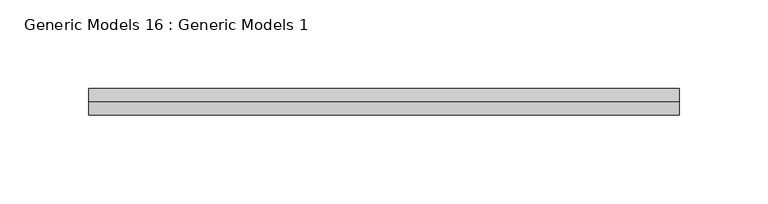
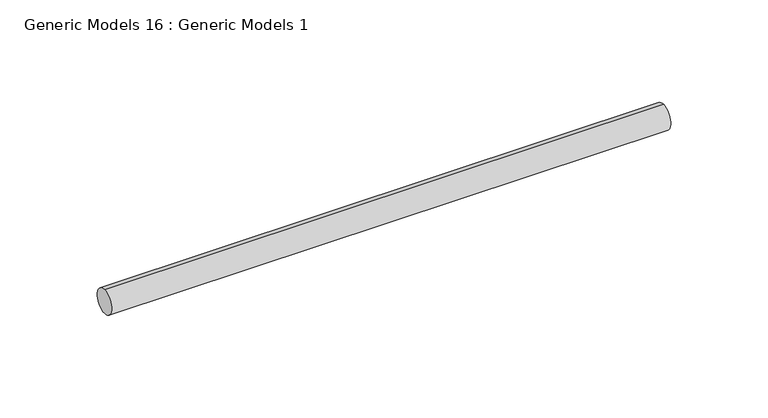
"""IFC4 building model written with IfcOpenShell, lengths in millimetres: proxy geometry, Generic Models 16 : Generic Models 1."""

import ifcopenshell
import ifcopenshell.guid

model = None  # the IFC model being written
_history = None  # IfcOwnerHistory: only IFC2X3 demands one
_inside = {}  # id of a spatial element -> (the spatial element, [elements in it])
_under = {}  # id of a project, library or spatial element -> (it, [spatial elements below it])
_declared = {}  # id of a project -> (the project, [libraries it declares])
_typed = {}  # id of a type object -> (the type object, [elements of that type])
_made_of = {}  # id of a material, layer set ... -> (it, [elements and type objects made of it])


def new_model(schema):
    """Start an empty IFC model of exactly this schema.

    Asked for "IFC4X3", IfcOpenShell would pick the latest addendum, in which some entities
    have other attributes; the version numbers below select the first issue.
    IFC2X3 requires an IfcOwnerHistory on every rooted entity: one is made here for all.
    """
    global model, _history
    if schema == "IFC4X3":
        model = ifcopenshell.file(schema_version=(4, 3, 0, 0))
    else:
        model = ifcopenshell.file(schema=schema)
    _inside.clear()
    _under.clear()
    _declared.clear()
    _typed.clear()
    _made_of.clear()
    _history = None
    if model.schema == "IFC2X3":
        org = make("IfcOrganization", Name="unknown")
        user = make(
            "IfcPersonAndOrganization",
            ThePerson=make("IfcPerson", FamilyName="unknown"),
            TheOrganization=org,
        )
        app = make(
            "IfcApplication",
            ApplicationDeveloper=org,
            Version="unknown",
            ApplicationFullName="unknown",
            ApplicationIdentifier="unknown",
        )
        _history = make(
            "IfcOwnerHistory",
            OwningUser=user,
            OwningApplication=app,
            ChangeAction="ADDED",
            CreationDate=0,
        )
    return model


def make(cls, **values):
    """One entity of the class cls with the attributes given. An attribute that is None is left unset."""
    return model.create_entity(
        cls, **{name: value for name, value in values.items() if value is not None}
    )


def rooted(cls, **values):
    """An entity with a GlobalId (a new one), such as an element, a storey or a relation."""
    return make(cls, GlobalId=ifcopenshell.guid.new(), OwnerHistory=_history, **values)


def si_unit(unit_type, name, prefix=None):
    """IfcSIUnit, for example si_unit("LENGTHUNIT", "METRE", prefix="MILLI")."""
    return make("IfcSIUnit", UnitType=unit_type, Prefix=prefix, Name=name)


def assignment(units):
    """IfcUnitAssignment: the units of a project."""
    return None if units is None else make("IfcUnitAssignment", Units=units)


def point(xyz):
    """IfcCartesianPoint."""
    return None if xyz is None else make("IfcCartesianPoint", Coordinates=xyz)


def direction(xyz):
    """IfcDirection."""
    return None if xyz is None else make("IfcDirection", DirectionRatios=xyz)


def frame(location, z_axis=None, x_axis=None):
    """IfcAxis2Placement3D, a coordinate frame: its origin and axes. An axis left out is left unset."""
    return make(
        "IfcAxis2Placement3D",
        Location=point(location),
        Axis=direction(z_axis),
        RefDirection=direction(x_axis),
    )


def frame_2d(location, x_axis=None):
    """IfcAxis2Placement2D, a coordinate frame in the plane: its origin and x axis."""
    return make(
        "IfcAxis2Placement2D", Location=point(location), RefDirection=direction(x_axis)
    )


def origin():
    """The frame at (0, 0, 0) with its axes left unset."""
    return frame((0.0, 0.0, 0.0))


def place(relative_to, where):
    """IfcLocalPlacement: puts the frame where relative to a parent placement (None: the world)."""
    return make(
        "IfcLocalPlacement", PlacementRelTo=relative_to, RelativePlacement=where
    )


def context(
    kind, dimensions, precision=None, world=None, true_north=None, identifier=None
):
    """IfcGeometricRepresentationContext, for example the 3D "Model" context."""
    return make(
        "IfcGeometricRepresentationContext",
        ContextIdentifier=identifier,
        ContextType=kind,
        CoordinateSpaceDimension=dimensions,
        Precision=precision,
        WorldCoordinateSystem=world,
        TrueNorth=true_north,
    )


def project(units=None, contexts=None):
    """IfcProject with its units and contexts."""
    return rooted(
        "IfcProject",
        Name="project",
        RepresentationContexts=contexts,
        UnitsInContext=assignment(units),
    )


def spatial(cls, under=None, at=None, **own):
    """A site, building, storey or space (cls), placed at a placement, below another one or the project."""
    s = rooted(cls, ObjectPlacement=at, **own)
    if under is not None:
        _under.setdefault(under.id(), (under, []))[1].append(s)
    return s


def circle_curve(where, radius):
    """IfcCircle in the frame where."""
    return make("IfcCircle", Position=where, Radius=radius)


def trimmed(basis, trim1, trim2, sense, master):
    """IfcTrimmedCurve: the piece of a basis curve between two trims."""
    return make(
        "IfcTrimmedCurve",
        BasisCurve=basis,
        Trim1=trim1,
        Trim2=trim2,
        SenseAgreement=sense,
        MasterRepresentation=master,
    )


def segment(curve, same_sense, transition):
    """IfcCompositeCurveSegment."""
    return make(
        "IfcCompositeCurveSegment",
        Transition=transition,
        SameSense=same_sense,
        ParentCurve=curve,
    )


def composite_curve(segments, self_intersect=None):
    """IfcCompositeCurve: segments joined end to end."""
    return make("IfcCompositeCurve", Segments=segments, SelfIntersect=self_intersect)


def outline(outer, holes=None, kind="AREA"):
    """IfcArbitraryClosedProfileDef: a profile drawn as a closed curve; with holes, ...WithVoids."""
    if holes is None:
        return make("IfcArbitraryClosedProfileDef", ProfileType=kind, OuterCurve=outer)
    return make(
        "IfcArbitraryProfileDefWithVoids",
        ProfileType=kind,
        OuterCurve=outer,
        InnerCurves=holes,
    )


def extrude(swept, where, along, depth):
    """IfcExtrudedAreaSolid: the profile swept, set in the frame where, extruded along a direction by depth."""
    return make(
        "IfcExtrudedAreaSolid",
        SweptArea=swept,
        Position=where,
        ExtrudedDirection=direction(along),
        Depth=depth,
    )


def shape(context_of_items, identifier, shape_type, items):
    """IfcShapeRepresentation: the items that make up one representation, for example the "Body"."""
    return make(
        "IfcShapeRepresentation",
        ContextOfItems=context_of_items,
        RepresentationIdentifier=identifier,
        RepresentationType=shape_type,
        Items=items,
    )


def source(mapping_origin, context_of_items, identifier, shape_type, items):
    """IfcRepresentationMap: a shape defined once, which mapped items show again and again."""
    return make(
        "IfcRepresentationMap",
        MappingOrigin=mapping_origin,
        MappedRepresentation=shape(context_of_items, identifier, shape_type, items),
    )


def transform(
    local_origin,
    x_axis=None,
    y_axis=None,
    z_axis=None,
    scale=None,
    scale2=None,
    scale3=None,
    uniform=True,
):
    """IfcCartesianTransformationOperator3D, or its non-uniform kind. x_axis, y_axis, z_axis: its Axis1, 2, 3."""
    if uniform:
        return make(
            "IfcCartesianTransformationOperator3D",
            Axis1=direction(x_axis),
            Axis2=direction(y_axis),
            LocalOrigin=point(local_origin),
            Scale=scale,
            Axis3=direction(z_axis),
        )
    return make(
        "IfcCartesianTransformationOperator3DnonUniform",
        Axis1=direction(x_axis),
        Axis2=direction(y_axis),
        LocalOrigin=point(local_origin),
        Scale=scale,
        Axis3=direction(z_axis),
        Scale2=scale2,
        Scale3=scale3,
    )


def mapped(mapping_source, mapping_target):
    """IfcMappedItem: shows the shape of a source again, moved by a transform."""
    return make(
        "IfcMappedItem", MappingSource=mapping_source, MappingTarget=mapping_target
    )


def made_of(thing, what):
    """Note that an element or type object is made of a material, layer set ...; save() writes the relation."""
    if what is not None:
        _made_of.setdefault(what.id(), (what, []))[1].append(thing)
    return thing


def element(
    cls,
    number,
    at=None,
    inside=None,
    cuts=None,
    type_object=None,
    material=None,
    context=None,
    identifier="Body",
    shape_type=None,
    held_by="IfcProductDefinitionShape",
    body=None,
    shapes=None,
    **own,
):
    """One element of the class cls, such as IfcWall. Its Tag is "e" and its number.

    at: its placement. inside: the storey or other place that contains it. cuts: it is an
    opening in that element (IfcRelVoidsElement). A single representation is given by context,
    identifier, shape_type and body (its items); several are given by shapes. held_by: the class
    of the entity that holds the representations. save() writes the other relations.
    """
    e = rooted(cls, Tag="e%d" % number, ObjectPlacement=at, **own)
    if body is not None:
        shapes = [shape(context, identifier, shape_type, body)]
    if shapes is not None:
        e.Representation = make(held_by, Representations=shapes)
    if inside is not None:
        _inside.setdefault(inside.id(), (inside, []))[1].append(e)
    if cuts is not None:
        rooted(
            "IfcRelVoidsElement", RelatingBuildingElement=cuts, RelatedOpeningElement=e
        )
    if type_object is not None:
        _typed.setdefault(type_object.id(), (type_object, []))[1].append(e)
    return made_of(e, material)


def aggregate(whole, parts):
    """IfcRelAggregates: a whole, such as a stair, and the parts it consists of."""
    return rooted("IfcRelAggregates", RelatingObject=whole, RelatedObjects=parts)


def save(model, path):
    """Write the relations noted so far, then the file.

    IfcRelAggregates (storeys below a building ...), IfcRelContainedInSpatialStructure (elements
    in a storey), IfcRelDefinesByType, IfcRelAssociatesMaterial and IfcRelDeclares: one each for
    every whole, place, type object, material and project.
    """
    for whole, parts in _under.values():
        aggregate(whole, parts)
    for where, things in _inside.values():
        rooted(
            "IfcRelContainedInSpatialStructure",
            RelatedElements=things,
            RelatingStructure=where,
        )
    for kind, things in _typed.values():
        rooted("IfcRelDefinesByType", RelatedObjects=things, RelatingType=kind)
    for what, things in _made_of.values():
        rooted("IfcRelAssociatesMaterial", RelatedObjects=things, RelatingMaterial=what)
    for by, libraries in _declared.values():
        rooted("IfcRelDeclares", RelatingContext=by, RelatedDefinitions=libraries)
    model.write(path)


def generic_models_16_generic_models_1_44e50696(model_context):
    return source(origin(), model_context, "Body", "SweptSolid", [
        extrude(outline(composite_curve([segment(trimmed(circle_curve(frame_2d((400.3057469, -814.107223)), 7.5), [point((400.3057469, -821.607223))], [point((400.3057469, -806.607223))], False, "CARTESIAN"), True, "CONTINUOUS"), segment(trimmed(circle_curve(frame_2d((400.3057469, -814.107223)), 7.5), [point((400.3057469, -806.607223))], [point((400.3057469, -821.607223))], False, "CARTESIAN"), True, "CONTINUOUS")], self_intersect=False)), frame((4735.5671963, 0.0, 0.0), z_axis=(1.0, 0.0, 0.0), x_axis=(0.0, 1.0, 0.0)), (0.0, 0.0, 1.0), 332.0),
    ])


if __name__ == "__main__":
    model = new_model("IFC4")
    model_context = context("Model", 3, world=origin())
    ifc_project = project(units=[si_unit("LENGTHUNIT", "METRE", prefix="MILLI")], contexts=[model_context])
    site = spatial("IfcSite", under=ifc_project)
    building = spatial("IfcBuilding", under=site)
    placement = place(None, origin())
    generic_models_16_generic_models_1_shape = generic_models_16_generic_models_1_44e50696(model_context)
    element("IfcBuildingElementProxy", 1, Name="Generic Models 16 : Generic Models 1", ObjectType="Generic Models 16 : Generic Models 1", at=placement, inside=building, context=model_context, shape_type="MappedRepresentation", body=[
        mapped(generic_models_16_generic_models_1_shape, transform((0.0, 0.0, 0.0), x_axis=(1.0, 0.0, 0.0), y_axis=(0.0, 1.0, 0.0), z_axis=(0.0, 0.0, 1.0))),
    ])
    save(model, "model.ifc")
